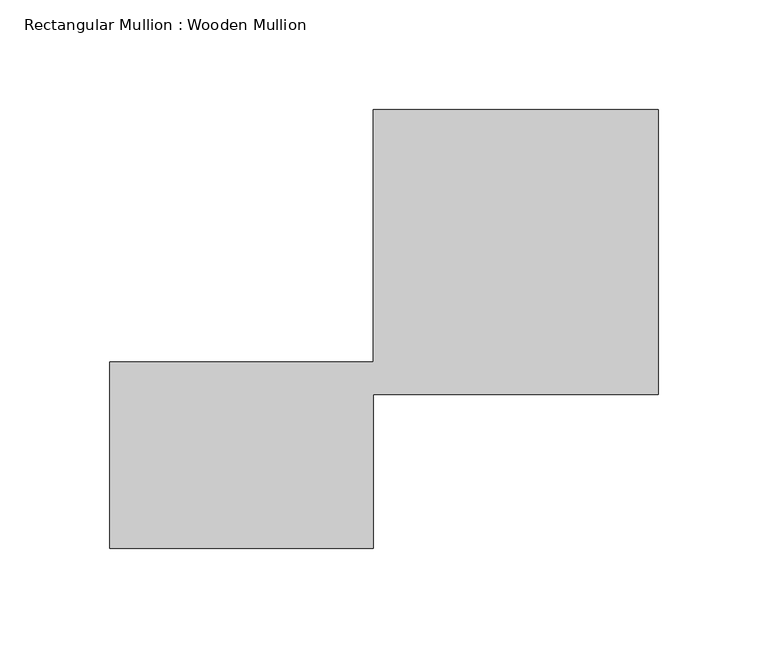
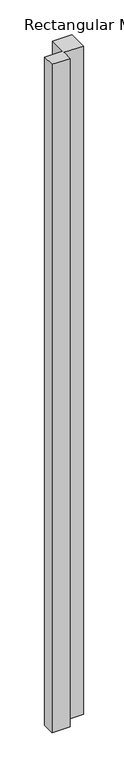
"""IFC4 building model written with IfcOpenShell, lengths in millimetres: member geometry, Rectangular Mullion : Wooden Mullion."""

from ifc_helpers import new_model, si_unit, frame, origin, place, context, project, spatial, polyline, outline, extrude, source, transform, mapped, element, save


def rectangular_mullion_wooden_mullion_608014f1(model_context):
    return source(origin(), model_context, "Body", "SweptSolid", [
        extrude(outline(polyline([(74.8100006, -26.0137344), (-45.1899994, -26.0137344), (-45.1899994, 58.9862656), (74.8100006, 58.9862656), (74.8100006, 173.9862656), (204.8100006, 173.9862656), (204.8100006, 43.9862656), (74.8100006, 43.9862656), (74.8100006, -26.0137344)])), frame((0.0, 0.0, -4726.9239538), z_axis=(0.0, 0.0, 1.0), x_axis=(1.0, 0.0, 0.0)), (0.0, 0.0, 1.0), 4726.9239538),
    ])


if __name__ == "__main__":
    model = new_model("IFC4")
    model_context = context("Model", 3, world=origin())
    ifc_project = project(units=[si_unit("LENGTHUNIT", "METRE", prefix="MILLI")], contexts=[model_context])
    site = spatial("IfcSite", under=ifc_project)
    building = spatial("IfcBuilding", under=site)
    placement = place(None, origin())
    rectangular_mullion_wooden_mullion_shape = rectangular_mullion_wooden_mullion_608014f1(model_context)
    element("IfcMember", 1, ObjectType="Rectangular Mullion : Wooden Mullion", at=placement, inside=building, context=model_context, shape_type="MappedRepresentation", body=[
        mapped(rectangular_mullion_wooden_mullion_shape, transform((0.0, 0.0, 0.0), x_axis=(1.0, 0.0, 0.0), y_axis=(0.0, 1.0, 0.0), z_axis=(0.0, 0.0, 1.0))),
    ])
    save(model, "model.ifc")
